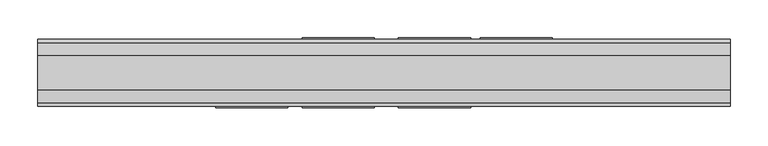
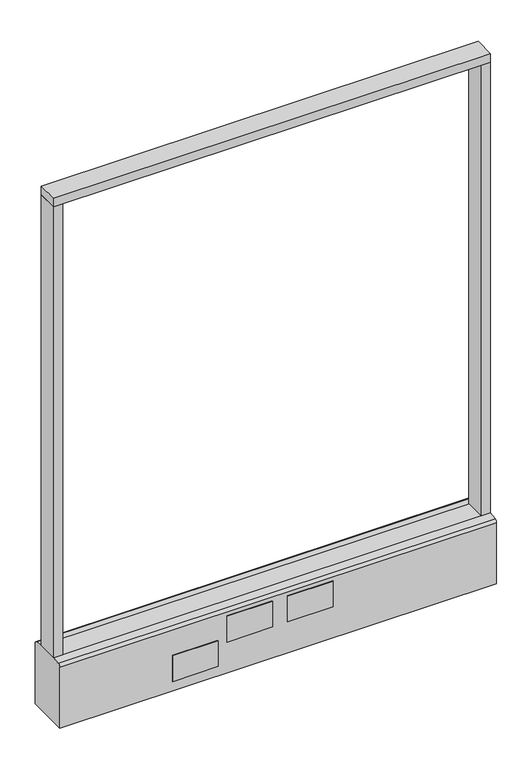
"""IFC4 building model written with IfcOpenShell, lengths in millimetres: furniture geometry."""

from ifc_helpers import new_model, si_unit, point, frame, frame_2d, origin, origin_with_axes, place, context, project, spatial, polyline, circle_curve, trimmed, segment, composite_curve, outline, extrude, source, transform, mapped, element, save


def furniture_1b2ba902(model_context):
    return source(origin(), model_context, "Body", "SweptSolid", [
        extrude(outline(polyline([(457.2, -22.225), (-457.2, -22.225), (-457.2, 22.225), (457.2, 22.225), (457.2, -22.225)])), frame((0.0, 0.0, 1149.35), z_axis=(0.0, 0.0, 1.0), x_axis=(1.0, 0.0, 0.0)), (0.0, 0.0, 1.0), 19.05),
        extrude(outline(composite_curve([segment(trimmed(circle_curve(frame_2d((-381.0, 0.0)), 23.415625), [point((-404.415625, 0.0))], [point((-357.584375, 0.0))], False, "CARTESIAN"), True, "CONTINUOUS"), segment(trimmed(circle_curve(frame_2d((-381.0, 0.0)), 23.415625), [point((-357.584375, 0.0))], [point((-404.415625, 0.0))], False, "CARTESIAN"), True, "CONTINUOUS")], self_intersect=False)), origin_with_axes(), (0.0, 0.0, 1.0), 6.35),
        extrude(outline(composite_curve([segment(trimmed(circle_curve(frame_2d((381.0, 0.0)), 23.415625), [point((357.584375, 0.0))], [point((404.415625, 0.0))], False, "CARTESIAN"), True, "CONTINUOUS"), segment(trimmed(circle_curve(frame_2d((381.0, 0.0)), 23.415625), [point((404.415625, 0.0))], [point((357.584375, 0.0))], False, "CARTESIAN"), True, "CONTINUOUS")], self_intersect=False)), origin_with_axes(), (0.0, 0.0, 1.0), 6.35),
        extrude(outline(polyline([(-438.1500091, -22.225), (-457.2, -22.225), (-457.2, 22.225), (-438.1500091, 22.225), (-438.1500091, -22.225)])), frame((0.0, 0.0, 152.4), z_axis=(0.0, 0.0, 1.0), x_axis=(1.0, 0.0, 0.0)), (0.0, 0.0, 1.0), 996.95),
        extrude(outline(polyline([(457.2, -22.225), (438.1500091, -22.225), (438.1500091, 22.225), (457.2, 22.225), (457.2, -22.225)])), frame((0.0, 0.0, 152.4), z_axis=(0.0, 0.0, 1.0), x_axis=(1.0, 0.0, 0.0)), (0.0, 0.0, 1.0), 996.95),
        extrude(outline(composite_curve([segment(polyline([(-22.225, 152.4), (22.225, 152.4), (39.43219, 149.94183)]), True, "CONTINUOUS"), segment(trimmed(circle_curve(frame_2d((38.605678, 144.1562464)), 5.844322), [point((39.43219, 149.94183))], [point((44.45, 144.1562464))], False, "CARTESIAN"), True, "CONTINUOUS"), segment(polyline([(44.45, 144.1562464), (44.45, 9.525), (-44.4433083, 9.525), (-44.4433083, 144.1572033)]), True, "CONTINUOUS"), segment(trimmed(circle_curve(frame_2d((-38.5989863, 144.1572033)), 5.844322), [point((-44.4433083, 144.1572033))], [point((-39.4222979, 149.9432432))], False, "CARTESIAN"), True, "CONTINUOUS"), segment(polyline([(-39.4222979, 149.9432432), (-22.225, 152.4)]), True, "CONTINUOUS")], self_intersect=False)), frame((-457.2, 0.0, 0.0), z_axis=(1.0, 0.0, 0.0), x_axis=(0.0, 1.0, 0.0)), (0.0, 0.0, 1.0), 914.4),
        extrude(outline(polyline([(222.25, 44.45), (127.0, 44.45), (127.0, 46.0375), (222.25, 46.0375), (222.25, 44.45)])), frame((0.0, 0.0, 31.75), z_axis=(0.0, 0.0, 1.0), x_axis=(1.0, 0.0, 0.0)), (0.0, 0.0, 1.0), 57.15),
        extrude(outline(polyline([(114.3, 44.45), (19.05, 44.45), (19.05, 46.0375), (114.3, 46.0375), (114.3, 44.45)])), frame((0.0, 0.0, 79.1718), z_axis=(0.0, 0.0, 1.0), x_axis=(1.0, 0.0, 0.0)), (0.0, 0.0, 1.0), 57.15),
        extrude(outline(polyline([(-12.7, 44.45), (-107.95, 44.45), (-107.95, 46.0375), (-12.7, 46.0375), (-12.7, 44.45)])), frame((0.0, 0.0, 79.1718), z_axis=(0.0, 0.0, 1.0), x_axis=(1.0, 0.0, 0.0)), (0.0, 0.0, 1.0), 57.15),
        extrude(outline(polyline([(-127.0, -46.0375), (-222.25, -46.0375), (-222.25, -44.45), (-127.0, -44.45), (-127.0, -46.0375)])), frame((0.0, 0.0, 31.75), z_axis=(0.0, 0.0, 1.0), x_axis=(1.0, 0.0, 0.0)), (0.0, 0.0, 1.0), 57.15),
        extrude(outline(polyline([(114.3, -46.0375), (19.05, -46.0375), (19.05, -44.45), (114.3, -44.45), (114.3, -46.0375)])), frame((0.0, 0.0, 79.1718), z_axis=(0.0, 0.0, 1.0), x_axis=(1.0, 0.0, 0.0)), (0.0, 0.0, 1.0), 57.15),
        extrude(outline(polyline([(-12.7, -46.0375), (-107.95, -46.0375), (-107.95, -44.45), (-12.7, -44.45), (-12.7, -46.0375)])), frame((0.0, 0.0, 79.1718), z_axis=(0.0, 0.0, 1.0), x_axis=(1.0, 0.0, 0.0)), (0.0, 0.0, 1.0), 57.15),
        extrude(outline(composite_curve([segment(trimmed(circle_curve(frame_2d((-381.0, 0.0)), 5.55625), [point((-386.55625, 0.0))], [point((-375.44375, 0.0))], False, "CARTESIAN"), True, "CONTINUOUS"), segment(trimmed(circle_curve(frame_2d((-381.0, 0.0)), 5.55625), [point((-375.44375, 0.0))], [point((-386.55625, 0.0))], False, "CARTESIAN"), True, "CONTINUOUS")], self_intersect=False)), frame((0.0, 0.0, 6.35), z_axis=(0.0, 0.0, 1.0), x_axis=(1.0, 0.0, 0.0)), (0.0, 0.0, 1.0), 3.175),
        extrude(outline(composite_curve([segment(trimmed(circle_curve(frame_2d((381.0, 0.0)), 5.55625), [point((375.44375, 0.0))], [point((386.55625, 0.0))], False, "CARTESIAN"), True, "CONTINUOUS"), segment(trimmed(circle_curve(frame_2d((381.0, 0.0)), 5.55625), [point((386.55625, 0.0))], [point((375.44375, 0.0))], False, "CARTESIAN"), True, "CONTINUOUS")], self_intersect=False)), frame((0.0, 0.0, 6.35), z_axis=(0.0, 0.0, 1.0), x_axis=(1.0, 0.0, 0.0)), (0.0, 0.0, 1.0), 3.175),
    ])


if __name__ == "__main__":
    model = new_model("IFC4")
    model_context = context("Model", 3, world=origin())
    ifc_project = project(units=[si_unit("LENGTHUNIT", "METRE", prefix="MILLI")], contexts=[model_context])
    site = spatial("IfcSite", under=ifc_project)
    building = spatial("IfcBuilding", under=site)
    placement = place(None, origin())
    furniture_shape = furniture_1b2ba902(model_context)
    element("IfcFurniture", 1, at=placement, inside=building, context=model_context, shape_type="MappedRepresentation", body=[
        mapped(furniture_shape, transform((0.0, 0.0, 0.0), x_axis=(1.0, 0.0, 0.0), y_axis=(0.0, 1.0, 0.0), z_axis=(0.0, 0.0, 1.0))),
    ])
    save(model, "model.ifc")
